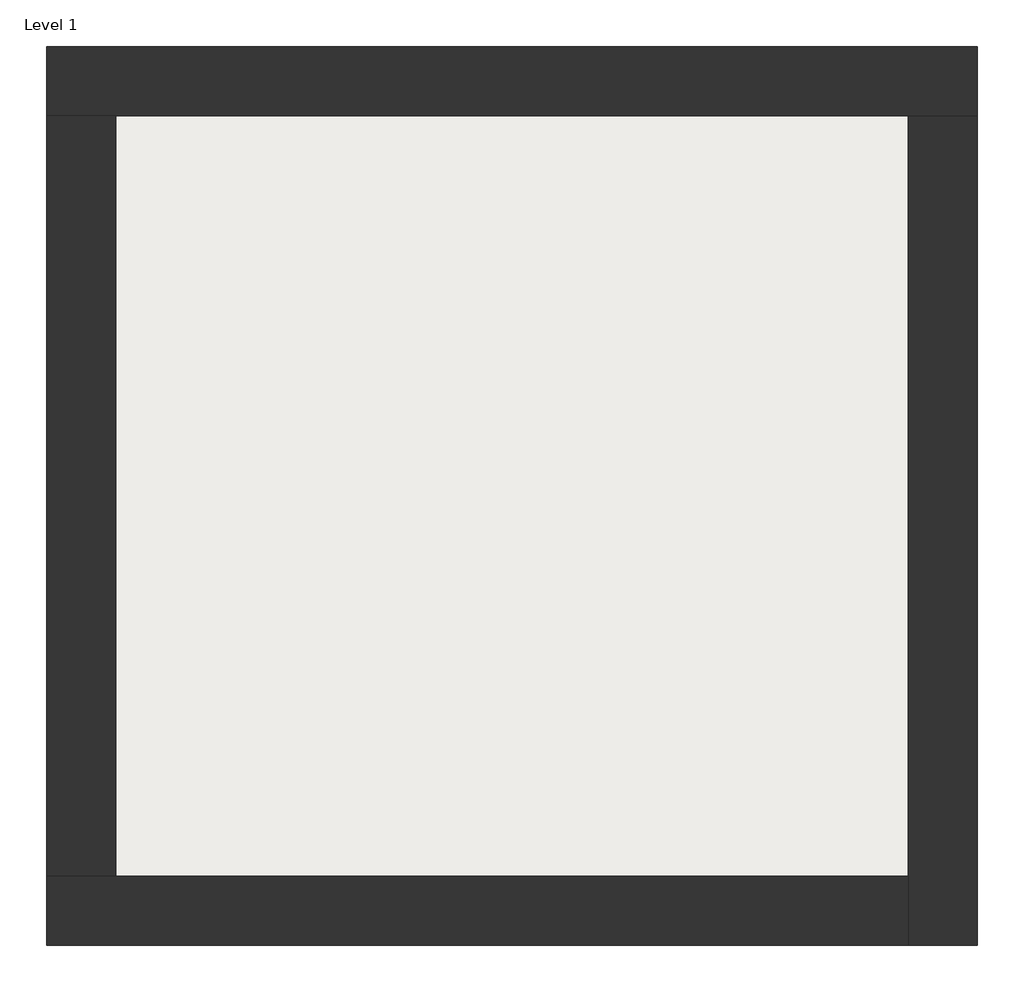
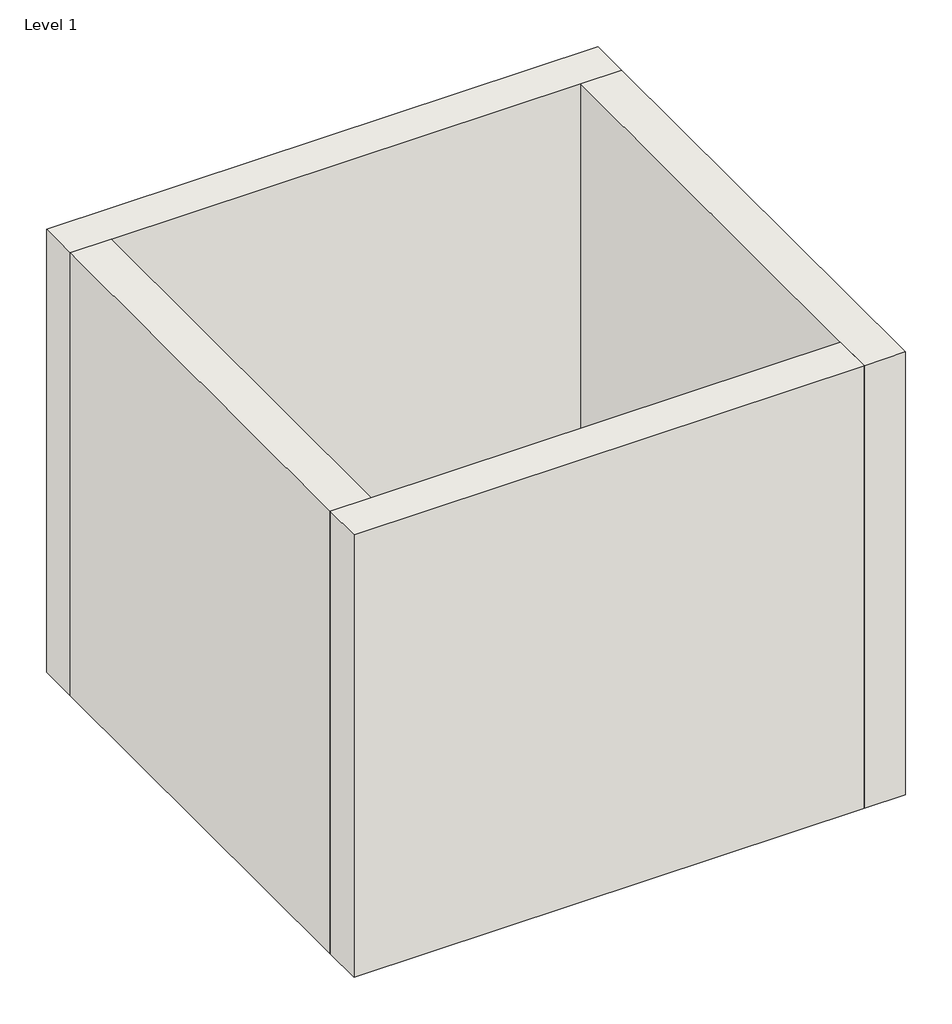
# One storey: 4 walls, 1 slab.
"""IFC4 building model written with IfcOpenShell, lengths in millimetres."""

from ifc_helpers import new_model, si_unit, frame, origin, origin_with_axes, place, context, project, spatial, polyline, outline, extrude, faceted_brep, element, save

model = new_model("IFC4")

# Units and contexts
model_context = context("Model", 3, world=origin())
ifc_project = project(units=[si_unit("LENGTHUNIT", "METRE", prefix="MILLI")], contexts=[model_context])

# Site, building, storey
site = spatial("IfcSite", under=ifc_project)
building = spatial("IfcBuilding", under=site)
storey = spatial("IfcBuildingStorey", under=building, Name="Level 1", Elevation=0.0)

# Slab
placement = place(None, origin())
element("IfcSlab", 1, at=placement, inside=storey, context=model_context, shape_type="SweptSolid", body=[
    extrude(outline(polyline([(-10869.3573003, 6934.2750283), (-10869.3573003, 3058.2750283), (-14907.8573003, 3058.2750283), (-14907.8573003, 6934.2750283), (-10869.3573003, 6934.2750283)])), frame((0.0, 0.0, -0.2), z_axis=(0.0, 0.0, 1.0), x_axis=(1.0, 0.0, 0.0)), (0.0, 0.0, 1.0), 100.2),
])

# Walls
element("IfcWall", 2, ObjectType="Exterior - Brick on Mtl. Stud", at=placement, inside=storey, context=model_context, shape_type="Brep", body=[
    faceted_brep([(-15244.8573003, 6921.2750283, 0.0), (-14894.8573003, 6921.2750283, 0.0), (-10882.3573003, 6921.2750283, 0.0), (-10532.3573003, 6921.2750283, 0.0), (-10532.3573003, 6921.2750283, 4000.0), (-10882.3573003, 6921.2750283, 4000.0), (-14894.8573003, 6921.2750283, 4000.0), (-15244.8573003, 6921.2750283, 4000.0), (-15244.8573003, 7271.2750283, 0.0), (-15244.8573003, 7271.2750283, 4000.0), (-10532.3573003, 7271.2750283, 4000.0), (-10532.3573003, 7271.2750283, 0.0)], [[[0, 1, 2, 3, 4, 5, 6, 7]], [[8, 9, 10, 11]], [[3, 2, 1, 0, 8, 11]], [[7, 6, 5, 4, 10, 9]], [[0, 7, 9, 8]], [[4, 3, 11, 10]]]),
])
element("IfcWall", 3, ObjectType="Exterior - Brick on Mtl. Stud", at=placement, inside=storey, context=model_context, shape_type="Brep", body=[
    faceted_brep([(-10882.3573003, 6921.2750283, 0.0), (-10882.3573003, 3071.2750283, 0.0), (-10882.3573003, 2721.2750283, 0.0), (-10882.3573003, 2721.2750283, 4000.0), (-10882.3573003, 3071.2750283, 4000.0), (-10882.3573003, 6921.2750283, 4000.0), (-10532.3573003, 6921.2750283, 0.0), (-10532.3573003, 6921.2750283, 4000.0), (-10532.3573003, 2721.2750283, 4000.0), (-10532.3573003, 2721.2750283, 0.0)], [[[0, 1, 2, 3, 4, 5]], [[6, 7, 8, 9]], [[2, 1, 0, 6, 9]], [[5, 4, 3, 8, 7]], [[3, 2, 9, 8]], [[0, 5, 7, 6]]]),
])
element("IfcWall", 4, ObjectType="Exterior - Brick on Mtl. Stud", at=placement, inside=storey, context=model_context, shape_type="Brep", body=[
    faceted_brep([(-10882.3573003, 3071.2750283, 0.0), (-14894.8573003, 3071.2750283, 0.0), (-15244.8573003, 3071.2750283, 0.0), (-15244.8573003, 3071.2750283, 4000.0), (-14894.8573003, 3071.2750283, 4000.0), (-10882.3573003, 3071.2750283, 4000.0), (-10882.3573003, 2721.2750283, 0.0), (-10882.3573003, 2721.2750283, 4000.0), (-15244.8573003, 2721.2750283, 4000.0), (-15244.8573003, 2721.2750283, 0.0)], [[[0, 1, 2, 3, 4, 5]], [[6, 7, 8, 9]], [[2, 1, 0, 6, 9]], [[5, 4, 3, 8, 7]], [[3, 2, 9, 8]], [[0, 5, 7, 6]]]),
])
element("IfcWall", 5, ObjectType="Exterior - Brick on Mtl. Stud", at=placement, inside=storey, context=model_context, shape_type="SweptSolid", body=[
    extrude(outline(polyline([(-14894.8573003, 6921.2750283), (-14894.8573003, 3071.2750283), (-15244.8573003, 3071.2750283), (-15244.8573003, 6921.2750283), (-14894.8573003, 6921.2750283)])), origin_with_axes(), (0.0, 0.0, 1.0), 4000.0),
])

save(model, "model.ifc")
